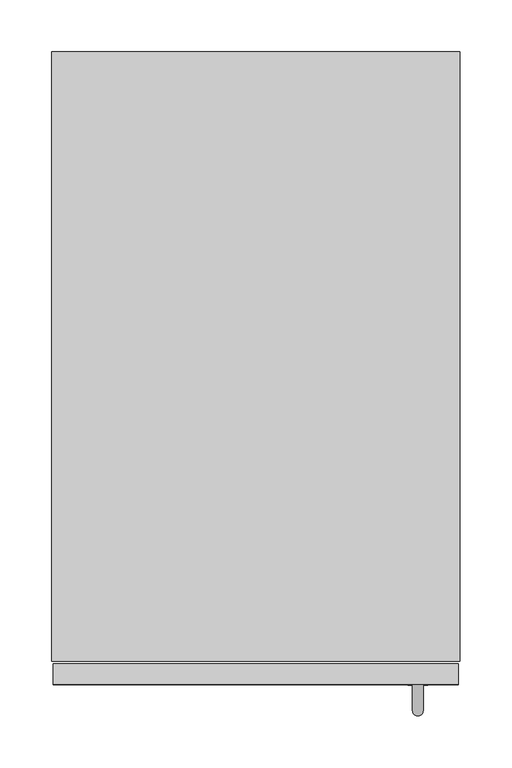
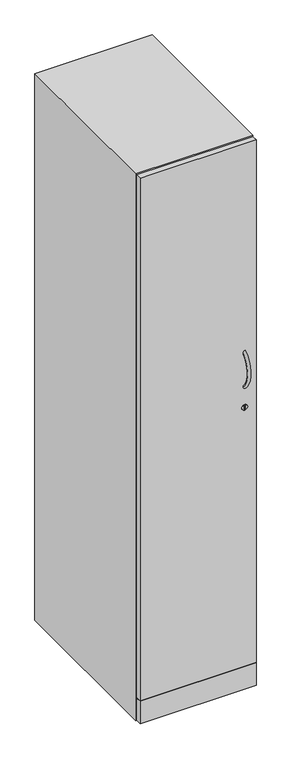
"""IFC4 building model written with IfcOpenShell, lengths in millimetres: furniture geometry."""

from ifc_helpers import new_model, si_unit, point, frame, frame_2d, origin, origin_with_axes, place, context, project, spatial, polyline, circle_curve, ellipse_curve, trimmed, segment, composite_curve, outline, extrude, source, transform, mapped, element, save
from ifc_brep_helpers import plane_surface, revolved_surface, advanced_brep


def furniture_afc0ba4c(model_context):
    return source(origin(), model_context, "Body", "SolidModel", [
        extrude(outline(composite_curve([segment(trimmed(circle_curve(frame_2d((1016.3748981, 353.06)), 9.6412755), [point((1006.7336226, 353.06))], [point((1026.0161736, 353.06))], False, "CARTESIAN"), True, "CONTINUOUS"), segment(trimmed(circle_curve(frame_2d((1016.3748981, 353.06)), 9.6412755), [point((1026.0161736, 353.06))], [point((1006.7336226, 353.06))], False, "CARTESIAN"), True, "CONTINUOUS")], self_intersect=False), holes=[polyline([(1023.0694301, 354.2372101), (1008.2812401, 354.2372101), (1008.2812401, 351.4021463), (1023.0694301, 351.4021463), (1023.0694301, 354.2372101)])]), frame((0.0, -610.1588, 0.0), z_axis=(0.0, 1.0, 0.0), x_axis=(0.0, 0.0, 1.0)), (0.0, 0.0, 1.0), 0.5588),
        advanced_brep(
        [(358.14, -605.6699652, 1213.8268671), (347.98, -605.6699652, 1213.8268671), (358.14, -605.6699652, 1086.1165273), (347.98, -605.6699652, 1086.1165273)],
        [
            (0, 1, circle_curve(frame((353.06, -605.6699652, 1213.8268671), z_axis=(0.0, 0.7605648682930162, 0.6492619510786282), x_axis=(-1.0, 0.0, 0.0)), 5.08)),
            (1, 0, circle_curve(frame((353.06, -605.6699652, 1213.8268671), z_axis=(0.0, 0.7605648682930162, 0.6492619510786282), x_axis=(-1.0, 0.0, 0.0)), 5.08)),
            (2, 3, circle_curve(frame((353.06, -605.6699652, 1086.1165273), z_axis=(0.0, 0.7605648682930103, -0.649261951078635), x_axis=(-1.0, 0.0, 0.0)), 5.08)),
            (3, 2, circle_curve(frame((353.06, -605.6699652, 1086.1165273), z_axis=(0.0, 0.7605648682930103, -0.649261951078635), x_axis=(-1.0, 0.0, 0.0)), 5.08)),
            (3, 1, circle_curve(frame((347.98, -551.1595166, 1149.9716972), z_axis=(-1.0, 0.0, 0.0), x_axis=(0.0, -0.6492619510786282, 0.7605648682930162)), 83.9575591)),
            (0, 2, circle_curve(frame((358.14, -551.1595166, 1149.9716972), z_axis=(1.0, 0.0, 0.0), x_axis=(0.0, -0.6492619510786282, 0.7605648682930162)), 83.9575591)),
        ],
        [
            plane_surface(frame((353.06, -602.5649714, 1210.1895845), z_axis=(0.0, 0.7605648682930162, 0.6492619510786282), x_axis=(-1.0, 0.0, 0.0))),
            plane_surface(frame((353.06, -602.5649714, 1089.75381), z_axis=(0.0, 0.7605648682930103, -0.649261951078635), x_axis=(-1.0, 0.0, 0.0))),
            revolved_surface(trimmed(ellipse_curve(frame((353.06, -605.6699652, 1213.8268671), z_axis=(0.0, 0.7605648682930162, 0.6492619510786282), x_axis=(-1.0, 0.0, 0.0)), 5.08, 5.08), [point((358.14, -605.6699652, 1213.8268671))], [point((347.98, -605.6699652, 1213.8268671))], True, "CARTESIAN"), (353.06, -551.1595166, 1149.9716972), (1.0, 0.0, 0.0)),
            revolved_surface(trimmed(ellipse_curve(frame((353.06, -605.6699652, 1213.8268671), z_axis=(0.0, 0.7605648682930162, 0.6492619510786282), x_axis=(-1.0, 0.0, 0.0)), 5.08, 5.08), [point((347.98, -605.6699652, 1213.8268671))], [point((358.14, -605.6699652, 1213.8268671))], True, "CARTESIAN"), (353.06, -551.1595166, 1149.9716972), (1.0, 0.0, 0.0)),
        ],
        [
            (0, [[1, 2]]),
            (1, [[3, 4]]),
            (2, [[5, -1, 6, -4]]),
            (3, [[-6, -2, -5, -3]]),
        ],
    ),
        extrude(outline(polyline([(392.1983475, -589.7118244), (392.1983475, -609.6), (1.5008464, -609.6), (1.5008464, -589.7118244), (392.1983475, -589.7118244)])), frame((0.0, 0.0, 96.5735929), z_axis=(0.0, 0.0, 1.0), x_axis=(1.0, 0.0, 0.0)), (0.0, 0.0, 1.0), 1856.2264449),
        extrude(outline(polyline([(392.1983475, -589.7118244), (392.1983475, -609.6), (1.5008464, -609.6), (1.5008464, -589.7118244), (392.1983475, -589.7118244)])), frame((0.0, 0.0, 15.1892005), z_axis=(0.0, 0.0, 1.0), x_axis=(1.0, 0.0, 0.0)), (0.0, 0.0, 1.0), 78.3846573),
        extrude(outline(polyline([(393.7, 0.0), (393.7, -587.2225868), (0.0, -587.2225868), (0.0, 0.0), (393.7, 0.0)])), frame((0.0, 0.0, 12.7), z_axis=(0.0, 0.0, 1.0), x_axis=(1.0, 0.0, 0.0)), (0.0, 0.0, 1.0), 1943.1),
        extrude(outline(composite_curve([segment(trimmed(circle_curve(frame_2d((35.6716041, -38.3343783)), 16.51), [point((19.1616041, -38.3343783))], [point((52.1816041, -38.3343783))], False, "CARTESIAN"), True, "CONTINUOUS"), segment(trimmed(circle_curve(frame_2d((35.6716041, -38.3343783)), 16.51), [point((52.1816041, -38.3343783))], [point((19.1616041, -38.3343783))], False, "CARTESIAN"), True, "CONTINUOUS")], self_intersect=False)), origin_with_axes(), (0.0, 0.0, 1.0), 12.7),
        extrude(outline(composite_curve([segment(trimmed(circle_curve(frame_2d((358.0281711, -38.3343783)), 16.51), [point((341.5181711, -38.3343783))], [point((374.5381711, -38.3343783))], False, "CARTESIAN"), True, "CONTINUOUS"), segment(trimmed(circle_curve(frame_2d((358.0281711, -38.3343783)), 16.51), [point((374.5381711, -38.3343783))], [point((341.5181711, -38.3343783))], False, "CARTESIAN"), True, "CONTINUOUS")], self_intersect=False)), origin_with_axes(), (0.0, 0.0, 1.0), 12.7),
        extrude(outline(composite_curve([segment(trimmed(circle_curve(frame_2d((35.6716041, -548.8882085)), 16.51), [point((19.1616041, -548.8882085))], [point((52.1816041, -548.8882085))], False, "CARTESIAN"), True, "CONTINUOUS"), segment(trimmed(circle_curve(frame_2d((35.6716041, -548.8882085)), 16.51), [point((52.1816041, -548.8882085))], [point((19.1616041, -548.8882085))], False, "CARTESIAN"), True, "CONTINUOUS")], self_intersect=False)), origin_with_axes(), (0.0, 0.0, 1.0), 12.7),
        extrude(outline(composite_curve([segment(trimmed(circle_curve(frame_2d((358.0281711, -548.8882085)), 16.51), [point((341.5181711, -548.8882085))], [point((374.5381711, -548.8882085))], False, "CARTESIAN"), True, "CONTINUOUS"), segment(trimmed(circle_curve(frame_2d((358.0281711, -548.8882085)), 16.51), [point((374.5381711, -548.8882085))], [point((341.5181711, -548.8882085))], False, "CARTESIAN"), True, "CONTINUOUS")], self_intersect=False)), origin_with_axes(), (0.0, 0.0, 1.0), 12.7),
    ])


if __name__ == "__main__":
    model = new_model("IFC4")
    model_context = context("Model", 3, world=origin())
    ifc_project = project(units=[si_unit("LENGTHUNIT", "METRE", prefix="MILLI")], contexts=[model_context])
    site = spatial("IfcSite", under=ifc_project)
    building = spatial("IfcBuilding", under=site)
    placement = place(None, origin())
    furniture_shape = furniture_afc0ba4c(model_context)
    element("IfcFurniture", 1, at=placement, inside=building, context=model_context, shape_type="MappedRepresentation", body=[
        mapped(furniture_shape, transform((0.0, 0.0, 0.0), x_axis=(1.0, 0.0, 0.0), y_axis=(0.0, 1.0, 0.0), z_axis=(0.0, 0.0, 1.0))),
    ])
    save(model, "model.ifc")
